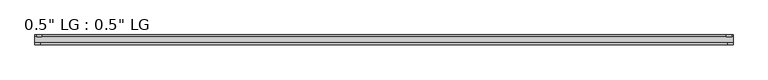
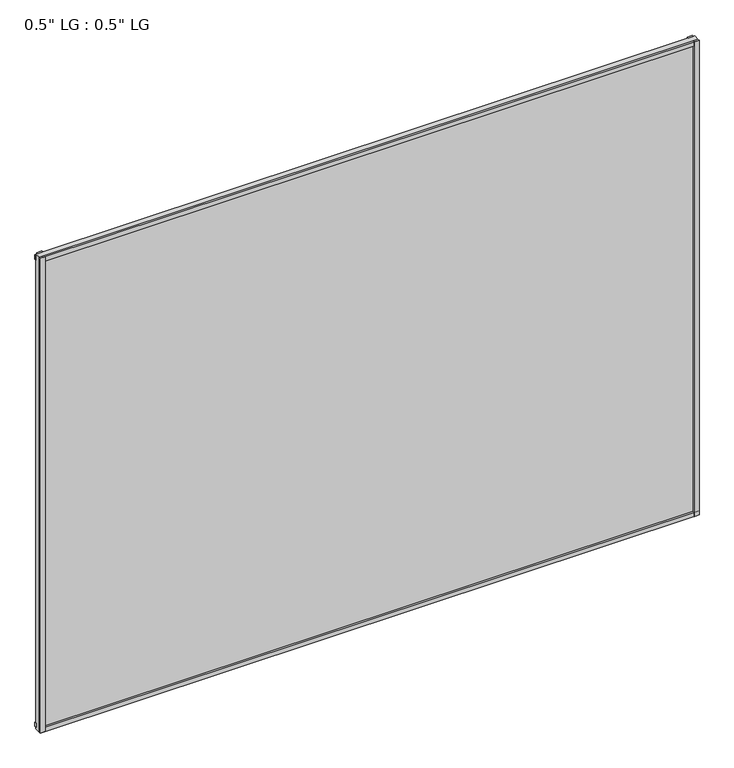
"""IFC4 building model written with IfcOpenShell, lengths in millimetres: plate geometry."""

from ifc_helpers import new_model, si_unit, frame, origin, origin_with_axes, place, context, project, spatial, polyline, outline, extrude, source, transform, mapped, element, save


def plate_0c24991a(model_context):
    return source(origin(), model_context, "Body", "SweptSolid", [
        extrude(outline(polyline([(809.625, -33.3271813), (809.625, -38.0007813), (797.4873204, -38.0007813), (797.4873204, -33.3271813), (809.625, -33.3271813)])), origin_with_axes(), (0.0, 0.0, 1.0), 1233.5256),
        extrude(outline(polyline([(806.0936463, -15.5217813), (806.0936463, -19.7127813), (794.0812225, -19.7127813), (794.0812225, -15.5217813), (806.0936463, -15.5217813)])), origin_with_axes(), (0.0, 0.0, 1.0), 1233.5256),
        extrude(outline(polyline([(-797.334422, -38.0007812), (-809.625, -38.0007812), (-809.625, -33.3271813), (-797.334422, -33.3271813), (-797.334422, -38.0007812)])), origin_with_axes(), (0.0, 0.0, 1.0), 1233.5256),
        extrude(outline(polyline([(-793.3751841, -19.7127813), (-805.6657621, -19.7127813), (-805.6657621, -15.5217812), (-793.3751841, -15.5217812), (-793.3751841, -19.7127813)])), origin_with_axes(), (0.0, 0.0, 1.0), 1233.5256),
        extrude(outline(polyline([(809.625, -33.3271813), (809.625, -38.0007813), (-809.625, -38.0007812), (-809.625, -33.3271813), (809.625, -33.3271813)])), origin_with_axes(), (0.0, 0.0, 1.0), 11.1693096),
        extrude(outline(polyline([(809.625, -15.3590708), (809.625, -20.1364307), (-809.625, -20.1364307), (-809.625, -15.3590708), (809.625, -15.3590708)])), frame((0.0, 0.0, 3.848913), z_axis=(0.0, 0.0, 1.0), x_axis=(1.0, 0.0, 0.0)), (0.0, 0.0, 1.0), 11.1693096),
        extrude(outline(polyline([(809.625, -33.3271813), (809.625, -38.0007813), (-809.625, -38.0007812), (-809.625, -33.3271813), (809.625, -33.3271813)])), frame((0.0, 0.0, 1222.3444942), z_axis=(0.0, 0.0, 1.0), x_axis=(1.0, 0.0, 0.0)), (0.0, 0.0, 1.0), 11.1811058),
        extrude(outline(polyline([(809.625, -15.5217813), (809.625, -19.7127813), (-809.625, -19.7127812), (-809.625, -15.5217813), (809.625, -15.5217813)])), frame((0.0, 0.0, 1217.7853474), z_axis=(0.0, 0.0, 1.0), x_axis=(1.0, 0.0, 0.0)), (0.0, 0.0, 1.0), 11.1811058),
        extrude(outline(polyline([(809.625, -33.3271812), (-809.625, -33.3271812), (-809.625, -19.7127812), (809.625, -19.7127812), (809.625, -33.3271812)])), origin_with_axes(), (0.0, 0.0, 1.0), 1233.5256),
    ])


if __name__ == "__main__":
    model = new_model("IFC4")
    model_context = context("Model", 3, world=origin())
    ifc_project = project(units=[si_unit("LENGTHUNIT", "METRE", prefix="MILLI")], contexts=[model_context])
    site = spatial("IfcSite", under=ifc_project)
    building = spatial("IfcBuilding", under=site)
    placement = place(None, origin())
    plate_shape = plate_0c24991a(model_context)
    element("IfcPlate", 1, ObjectType="0.5\" LG : 0.5\" LG", at=placement, inside=building, context=model_context, shape_type="MappedRepresentation", body=[
        mapped(plate_shape, transform((0.0, 0.0, 0.0), x_axis=(1.0, 0.0, 0.0), y_axis=(0.0, 1.0, 0.0), z_axis=(0.0, 0.0, 1.0))),
    ])
    save(model, "model.ifc")
